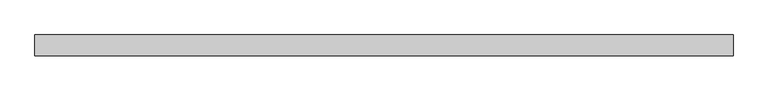
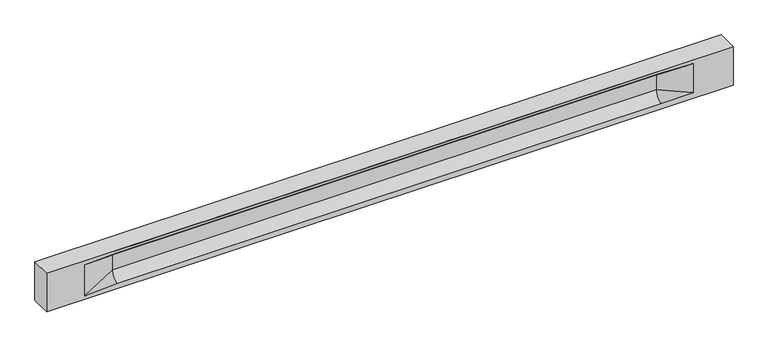
"""IFC4 building model written with IfcOpenShell, lengths in millimetres: beam geometry."""

from ifc_helpers import new_model, si_unit, frame, origin, place, context, project, spatial, polyline, circle_curve, source, transform, mapped, element, save
from ifc_brep_helpers import plane_surface, revolved_surface, spline_surface, advanced_brep


def beam_252eb046(model_context):
    return source(origin(), model_context, "Body", "AdvancedBrep", [
        advanced_brep(
        [(8429.0, -250.0, 500.0), (8429.0, -250.0, -500.0), (8429.0, 250.0, -500.0), (8429.0, 250.0, 500.0), (-8429.0, -250.0, 500.0), (-8429.0, -250.0, -500.0), (7454.0, -250.0, -362.0), (6654.0, -250.0, -360.0), (-6699.0, -250.0, -360.0), (-7499.0, -250.0, -400.0), (-7499.0, -250.0, 400.0), (-6699.0, -250.0, 435.0), (6654.0, -250.0, 435.0), (7454.0, -250.0, 400.0), (-8429.0, 250.0, -500.0), (-8429.0, 250.0, 500.0), (7454.0, 250.0, 400.0), (6654.0, 250.0, 435.0), (-6699.0, 250.0, 435.0), (-7499.0, 250.0, 400.0), (-7499.0, 250.0, -400.0), (-6699.0, 250.0, -360.0), (6654.0, 250.0, -360.0), (7454.0, 250.0, -362.0), (6654.0, 155.0, 405.0), (-6699.0, 155.0, 405.0), (6654.0, 60.0, 262.777021), (-6699.0, 60.0, 262.777021), (6654.0, 60.0, -120.0), (-6699.0, 60.0, -120.0), (6654.0, -60.0, -120.0), (-6699.0, -60.0, -120.0), (6654.0, -60.0, 262.777021), (-6699.0, -60.0, 262.777021), (6654.0, -155.0, 405.0), (-6699.0, -155.0, 405.0)],
        [
            (0, 1),
            (1, 2),
            (2, 3),
            (3, 0),
            (0, 4),
            (4, 5),
            (5, 1),
            (6, 7),
            (7, 8),
            (8, 9),
            (9, 10),
            (10, 11),
            (11, 12),
            (12, 13),
            (13, 6),
            (5, 14),
            (14, 2),
            (14, 15),
            (15, 3),
            (16, 17),
            (17, 18),
            (18, 19),
            (19, 20),
            (20, 21),
            (21, 22),
            (22, 23),
            (23, 16),
            (15, 4),
            (17, 24),
            (24, 25),
            (25, 18),
            (24, 26, circle_curve(frame((6654.0, 213.9598725, 262.777021), z_axis=(1.0, 0.0, 0.0), x_axis=(0.0, 1.0, 0.0)), 153.9598725)),
            (26, 27),
            (27, 25, circle_curve(frame((-6699.0, 213.9598725, 262.777021), z_axis=(-1.0, 0.0, 0.0), x_axis=(0.0, 1.0, 0.0)), 153.9598725)),
            (26, 28),
            (28, 29),
            (29, 27),
            (28, 22, circle_curve(frame((6654.0, 306.5789474, -120.0), z_axis=(1.0, 0.0, 0.0), x_axis=(0.0, 1.0, 0.0)), 246.5789474)),
            (21, 29, circle_curve(frame((-6699.0, 306.5789474, -120.0), z_axis=(-1.0, 0.0, 0.0), x_axis=(0.0, 1.0, 0.0)), 246.5789474)),
            (7, 30, circle_curve(frame((6654.0, -306.5789474, -120.0), z_axis=(1.0, 0.0, 0.0), x_axis=(0.0, 1.0, 0.0)), 246.5789474)),
            (30, 31),
            (31, 8, circle_curve(frame((-6699.0, -306.5789474, -120.0), z_axis=(-1.0, 0.0, 0.0), x_axis=(0.0, 1.0, 0.0)), 246.5789474)),
            (30, 32),
            (32, 33),
            (33, 31),
            (32, 34, circle_curve(frame((6654.0, -213.9598725, 262.777021), z_axis=(1.0, 0.0, 0.0), x_axis=(0.0, 1.0, 0.0)), 153.9598725)),
            (34, 35),
            (35, 33, circle_curve(frame((-6699.0, -213.9598725, 262.777021), z_axis=(-1.0, 0.0, 0.0), x_axis=(0.0, 1.0, 0.0)), 153.9598725)),
            (34, 12),
            (11, 35),
            (27, 19),
            (19, 25),
            (10, 35),
            (10, 33),
            (9, 31),
            (20, 29),
            (34, 13),
            (32, 13),
            (30, 6),
            (28, 23),
            (26, 16),
            (24, 16),
        ],
        [
            plane_surface(frame((8429.0, 0.0, 0.0), z_axis=(1.0, 0.0, 0.0), x_axis=(0.0, 0.0, 1.0))),
            plane_surface(frame((8429.0, -250.0, 500.0), z_axis=(0.0, -1.0, 0.0), x_axis=(-1.0, 0.0, 0.0))),
            plane_surface(frame((8429.0, -250.0, -500.0), z_axis=(0.0, 0.0, -1.0), x_axis=(-1.0, 0.0, 0.0))),
            plane_surface(frame((8429.0, 250.0, -500.0), z_axis=(0.0, 1.0, 0.0), x_axis=(-1.0, 0.0, 0.0))),
            plane_surface(frame((8429.0, 250.0, 500.0), z_axis=(0.0, 0.0, 1.0), x_axis=(-1.0, 0.0, 0.0))),
            plane_surface(frame((-6699.0, 250.0, 435.0), z_axis=(0.0, 0.30113136793710954, -0.9535826651341378), x_axis=(1.0, 0.0, 0.0))),
            revolved_surface(polyline([(6654.0, 367.919745, 262.777021), (-6699.0, 367.919745, 262.777021)]), (-6699.0, 213.9598725, 262.777021), (1.0, 0.0, 0.0)),
            plane_surface(frame((-6699.0, 60.0, 262.777021), z_axis=(0.0, 1.0, 0.0), x_axis=(1.0, 0.0, 0.0))),
            revolved_surface(polyline([(6654.0, 553.1578948, -120.0), (-6699.0, 553.1578948, -120.0)]), (-6699.0, 306.5789474, -120.0), (1.0, 0.0, 0.0)),
            revolved_surface(polyline([(6654.0, -60.0, -120.0), (-6699.0, -60.0, -120.0)]), (-6699.0, -306.5789474, -120.0), (1.0, 0.0, 0.0)),
            plane_surface(frame((-6699.0, -60.0, -120.0), z_axis=(0.0, -1.0, 0.0), x_axis=(1.0, 0.0, 0.0))),
            revolved_surface(polyline([(6654.0, -60.0, 262.777021), (-6699.0, -60.0, 262.777021)]), (-6699.0, -213.9598725, 262.777021), (1.0, 0.0, 0.0)),
            plane_surface(frame((-6699.0, -155.0, 405.0), z_axis=(0.0, -0.30113136793710693, -0.9535826651341387), x_axis=(1.0, 0.0, 0.0))),
            spline_surface(2, 1, [[(-7499.0, 250.0, 400.0), (-6699.0, 60.0, 262.777021)], [(-7499.0, 250.0, 400.0), (-6699.0, 59.99999995452379, 365.6168572954922)], [(-7499.0, 250.0, 400.0), (-6699.0, 155.0, 405.0)]], [3, 3], [2, 2], [0.0, 1.0], [0.0, 1.0], weights=[[1.0, 1.0], [0.8315515921160737, 0.8315515921160737], [1.0, 1.0]]),
            plane_surface(frame((-7499.0, 250.0, 400.0), z_axis=(0.04168298285568759, 0.30086965068766386, -0.9527538938442265), x_axis=(0.0, 0.9535826651341378, 0.30113136793710954))),
            plane_surface(frame((-7499.0, -250.0, 400.0), z_axis=(0.041682982855687625, -0.30086965068766125, -0.9527538938442274), x_axis=(0.0, 0.9535826651341387, -0.30113136793710693))),
            spline_surface(2, 1, [[(-7499.0, -250.0, 400.0), (-6699.0, -155.0, 405.0)], [(-7499.0, -250.0, 400.0), (-6699.0, -60.00000008030692, 365.6168572114734)], [(-7499.0, -250.0, 400.0), (-6699.0, -60.0, 262.777021)]], [3, 3], [2, 2], [0.0, 1.0], [0.0, 1.0], weights=[[1.0, 1.0], [0.8315515924557569, 0.8315515924557569], [1.0, 1.0]]),
            plane_surface(frame((-7499.0, -250.0, 0.0), z_axis=(0.2310724307958988, -0.9729365507195599, 0.0), x_axis=(0.0, 0.0, -1.0))),
            spline_surface(2, 1, [[(-7499.0, -250.0, -400.0), (-6699.0, -60.0, -120.0)], [(-7499.0, -250.0, -400.0), (-6699.0, -59.99999998020837, -315.20833333333337)], [(-7499.0, -250.0, -400.0), (-6699.0, -250.0, -360.0)]], [3, 3], [2, 2], [0.0, 1.0], [0.0, 1.0], weights=[[1.0, 1.0], [0.7840458244617614, 0.7840458244617614], [1.0, 1.0]]),
            spline_surface(2, 1, [[(-7499.0, 250.0, -400.0), (-6699.0, 250.0, -360.0)], [(-7499.0, 250.0, -400.0), (-6699.0, 60.00000002887427, -315.20833329480604)], [(-7499.0, 250.0, -400.0), (-6699.0, 60.0, -120.0)]], [3, 3], [2, 2], [0.0, 1.0], [0.0, 1.0], weights=[[1.0, 1.0], [0.7840458245391329, 0.7840458245391329], [1.0, 1.0]]),
            plane_surface(frame((-7499.0, 250.0, 0.0), z_axis=(0.23107243079589448, 0.9729365507195609, 0.0), x_axis=(0.0, 0.0, 1.0))),
            plane_surface(frame((-8429.0, 0.0, 0.0), z_axis=(-1.0, 0.0, 0.0), x_axis=(0.0, 0.0, 1.0))),
            plane_surface(frame((6654.0, -202.5, 420.0), z_axis=(-0.04168298285568746, -0.30086965068766125, -0.9527538938442274), x_axis=(0.0, 0.9535826651341387, -0.30113136793710693))),
            spline_surface(2, 1, [[(6654.0, -155.0, 405.0), (7454.0, -250.0, 400.0)], [(6654.0, -60.00000008030692, 365.6168572114734), (7454.0, -250.0, 400.0)], [(6654.0, -60.0, 262.777021), (7454.0, -250.0, 400.0)]], [3, 3], [2, 2], [0.0, 1.0], [0.0, 1.0], weights=[[1.0, 1.0], [0.8315515924557569, 0.8315515924557569], [1.0, 1.0]]),
            plane_surface(frame((6654.0, -60.0, 71.3885105), z_axis=(-0.23107243079589737, -0.9729365507195602, 0.0), x_axis=(0.0, 0.0, -1.0))),
            spline_surface(2, 1, [[(6654.0, -60.0, -120.0), (7454.0, -250.0, -362.0)], [(6654.0, -59.99999998020837, -315.20833333333337), (7454.0, -250.0, -362.0)], [(6654.0, -250.0, -360.0), (7454.0, -250.0, -362.0)]], [3, 3], [2, 2], [0.0, 1.0], [0.0, 1.0], weights=[[1.0, 1.0], [0.7840458244617614, 0.7840458244617614], [1.0, 1.0]]),
            spline_surface(2, 1, [[(6654.0, 250.0, -360.0), (7454.0, 250.0, -362.0)], [(6654.0, 60.00000002887427, -315.20833329480604), (7454.0, 250.0, -362.0)], [(6654.0, 60.0, -120.0), (7454.0, 250.0, -362.0)]], [3, 3], [2, 2], [0.0, 1.0], [0.0, 1.0], weights=[[1.0, 1.0], [0.7840458245391329, 0.7840458245391329], [1.0, 1.0]]),
            plane_surface(frame((6654.0, 60.0, 71.3885105), z_axis=(-0.23107243079589093, 0.9729365507195618, 0.0), x_axis=(0.0, 0.0, 1.0))),
            spline_surface(2, 1, [[(6654.0, 60.0, 262.777021), (7454.0, 250.0, 400.0)], [(6654.0, 59.99999995452379, 365.6168572954922), (7454.0, 250.0, 400.0)], [(6654.0, 155.0, 405.0), (7454.0, 250.0, 400.0)]], [3, 3], [2, 2], [0.0, 1.0], [0.0, 1.0], weights=[[1.0, 1.0], [0.8315515921160737, 0.8315515921160737], [1.0, 1.0]]),
            plane_surface(frame((6654.0, 202.5, 420.0), z_axis=(-0.04168298285568672, 0.30086965068766386, -0.9527538938442265), x_axis=(0.0, 0.9535826651341378, 0.30113136793710954))),
        ],
        [
            (0, [[1, 2, 3, 4]]),
            (1, [[-1, 5, 6, 7], [8, 9, 10, 11, 12, 13, 14, 15]]),
            (2, [[-2, -7, 16, 17]]),
            (3, [[-3, -17, 18, 19], [20, 21, 22, 23, 24, 25, 26, 27]]),
            (4, [[-5, -4, -19, 28]]),
            (5, [[-21, 29, 30, 31]]),
            (6, [[-30, 32, 33, 34]]),
            (7, [[-33, 35, 36, 37]]),
            (8, [[-36, 38, -25, 39]]),
            (9, [[-9, 40, 41, 42]]),
            (10, [[-41, 43, 44, 45]]),
            (11, [[-44, 46, 47, 48]]),
            (12, [[-47, 49, -13, 50]]),
            (13, [[51, 52, -34]]),
            (14, [[-52, -22, -31]]),
            (15, [[-12, 53, -50]]),
            (16, [[-53, 54, -48]]),
            (17, [[-54, -11, 55, -45]]),
            (18, [[-55, -10, -42]]),
            (19, [[-24, 56, -39]]),
            (20, [[-51, -37, -56, -23]]),
            (21, [[-28, -18, -16, -6]]),
            (22, [[-14, -49, 57]]),
            (23, [[-57, -46, 58]]),
            (24, [[-58, -43, 59, -15]]),
            (25, [[-59, -40, -8]]),
            (26, [[-26, -38, 60]]),
            (27, [[-60, -35, 61, -27]]),
            (28, [[-61, -32, 62]]),
            (29, [[-62, -29, -20]]),
        ],
    ),
    ])


if __name__ == "__main__":
    model = new_model("IFC4")
    model_context = context("Model", 3, world=origin())
    ifc_project = project(units=[si_unit("LENGTHUNIT", "METRE", prefix="MILLI")], contexts=[model_context])
    site = spatial("IfcSite", under=ifc_project)
    building = spatial("IfcBuilding", under=site)
    placement = place(None, origin())
    beam_shape = beam_252eb046(model_context)
    element("IfcBeam", 1, at=placement, inside=building, context=model_context, shape_type="MappedRepresentation", body=[
        mapped(beam_shape, transform((0.0, 0.0, 0.0), x_axis=(1.0, 0.0, 0.0), y_axis=(0.0, 1.0, 0.0), z_axis=(0.0, 0.0, 1.0))),
    ])
    save(model, "model.ifc")
